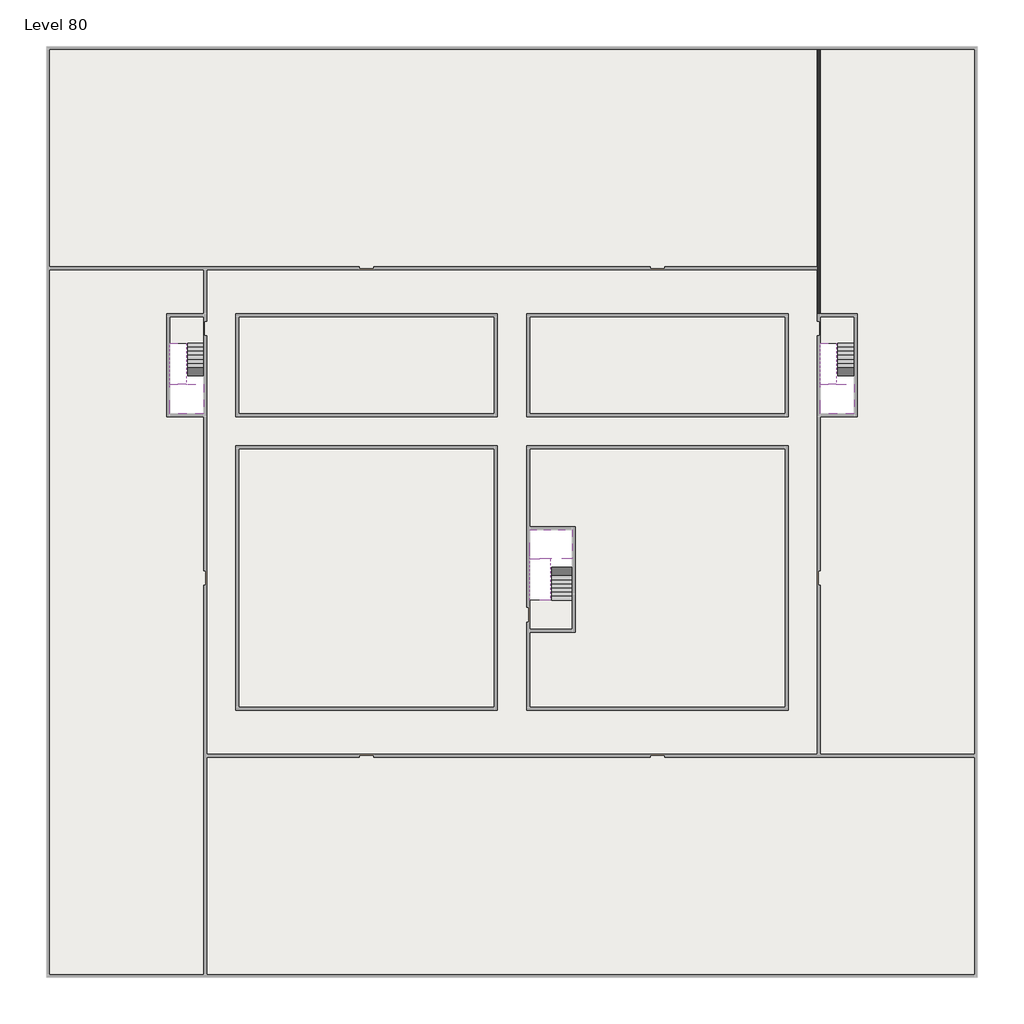
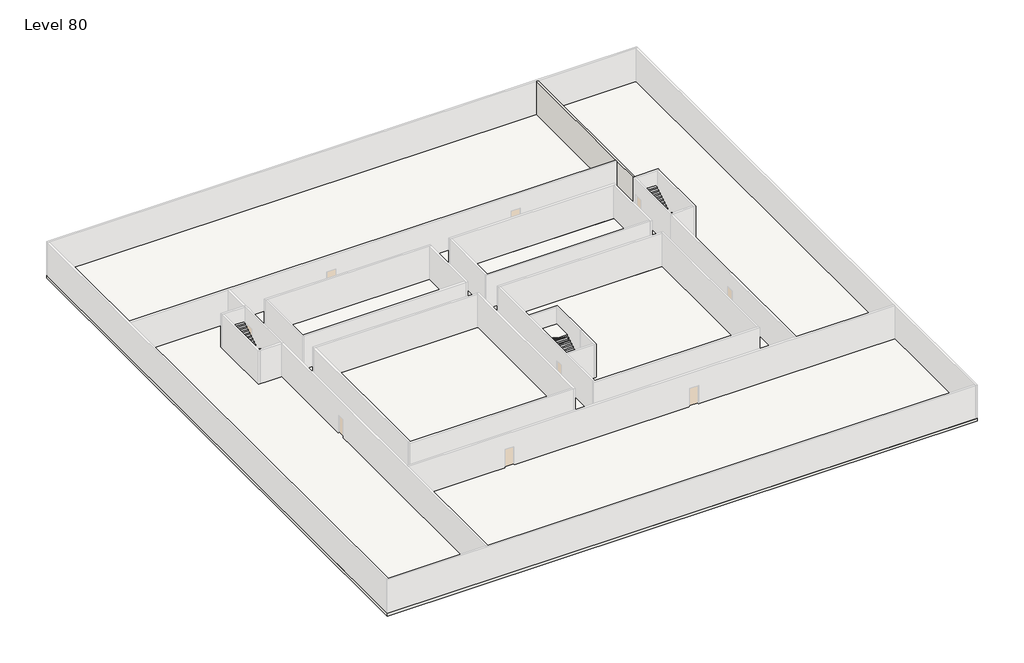
# One storey, part 2 of 2: 6 slabs, 6 stair flights, 1 wall.
"""IFC4 building model written with IfcOpenShell, lengths in millimetres."""

from ifc_helpers import new_model, si_unit, frame, origin, place, context, project, spatial, polyline, outline, extrude, faceted_brep, element, save

model = new_model("IFC4")

# Units and contexts
model_context = context("Model", 3, world=origin())
ifc_project = project(units=[si_unit("LENGTHUNIT", "METRE", prefix="MILLI")], contexts=[model_context])

# Site, building, storey
site = spatial("IfcSite", under=ifc_project)
building = spatial("IfcBuilding", under=site)
storey = spatial("IfcBuildingStorey", under=building, Name="Level 80", Elevation=300200.0)

# Slabs
placement = place(None, origin())
element("IfcSlab", 1, at=placement, inside=storey, context=model_context, shape_type="SweptSolid", body=[
    extrude(outline(polyline([(55890.1058784, -5518.09644), (55890.1058784, -68918.09644), (-7509.8941216, -68918.09644), (-7509.8941216, -5518.09644), (55890.1058784, -5518.09644)]), holes=[polyline([(22990.1058784, -23918.09644), (5590.1058784, -23918.09644), (5590.1058784, -30518.09644), (22990.1058784, -30518.09644), (22990.1058784, -23918.09644)]), polyline([(42990.1058784, -23918.09644), (25390.1058784, -23918.09644), (25390.1058784, -30518.09644), (42990.1058784, -30518.09644), (42990.1058784, -23918.09644)]), polyline([(25390.1058784, -50518.09644), (42790.1058784, -50518.09644), (42790.1058784, -32918.09644), (25390.1058784, -32918.09644), (25390.1058784, -50518.09644)]), polyline([(22990.1058784, -32918.09644), (5590.1058784, -32918.09644), (5590.1058784, -50518.09644), (22990.1058784, -50518.09644), (22990.1058784, -32918.09644)]), polyline([(3190.1058784, -23918.09644), (890.1058784, -23918.09644), (890.1058784, -30518.09644), (3190.1058784, -30518.09644), (3190.1058784, -23918.09644)]), polyline([(47490.1058784, -23918.09644), (45190.1058784, -23918.09644), (45190.1058784, -30518.09644), (47490.1058784, -30518.09644), (47490.1058784, -23918.09644)])]), frame((0.0, 0.0, 299900.0), z_axis=(0.0, 0.0, 1.0), x_axis=(1.0, 0.0, 0.0)), (0.0, 0.0, 1.0), 300.0),
])
element("IfcSlab", 2, at=placement, inside=storey, context=model_context, shape_type="SweptSolid", body=[
    extrude(outline(polyline([(22990.1058784, -23918.09644), (22990.1058784, -30518.09644), (5590.1058784, -30518.09644), (5590.1058784, -23918.09644), (22990.1058784, -23918.09644)])), frame((0.0, 0.0, 299900.0), z_axis=(0.0, 0.0, 1.0), x_axis=(1.0, 0.0, 0.0)), (0.0, 0.0, 1.0), 300.0),
    extrude(outline(polyline([(42990.1058784, -23918.09644), (42990.1058784, -30518.09644), (25390.1058784, -30518.09644), (25390.1058784, -23918.09644), (42990.1058784, -23918.09644)])), frame((0.0, 0.0, 299900.0), z_axis=(0.0, 0.0, 1.0), x_axis=(1.0, 0.0, 0.0)), (0.0, 0.0, 1.0), 300.0),
    extrude(outline(polyline([(22990.1058784, -32918.09644), (22990.1058784, -50518.09644), (5590.1058784, -50518.09644), (5590.1058784, -32918.09644), (22990.1058784, -32918.09644)])), frame((0.0, 0.0, 299900.0), z_axis=(0.0, 0.0, 1.0), x_axis=(1.0, 0.0, 0.0)), (0.0, 0.0, 1.0), 300.0),
    extrude(outline(polyline([(25390.1058784, -38218.09644), (25390.1058784, -32918.09644), (42790.1058784, -32918.09644), (42790.1058784, -50518.09644), (25390.1058784, -50518.09644), (25390.1058784, -45418.09644), (28490.1058784, -45418.09644), (28490.1058784, -38218.09644), (25390.1058784, -38218.09644)])), frame((0.0, 0.0, 299900.0), z_axis=(0.0, 0.0, 1.0), x_axis=(1.0, 0.0, 0.0)), (0.0, 0.0, 1.0), 300.0),
])
element("IfcSlab", 3, at=placement, inside=storey, context=model_context, shape_type="Brep", body=[
    faceted_brep([(3190.1058784, -28518.09644, 302100.0), (2090.1058784, -28518.09644, 302100.0), (1990.1058784, -28518.09644, 302100.0), (890.1058784, -28518.09644, 302100.0), (890.1058784, -28718.7100038, 302100.0), (890.1058784, -30518.09644, 302100.0), (3190.1058784, -30518.09644, 302100.0), (3190.1058784, -28597.4828763, 302100.0), (3190.1058784, -28518.09644, 301927.2727273), (3190.1058784, -28518.09644, 301751.0278478), (2090.1058784, -28518.09644, 301751.0278478), (2090.1058784, -28518.09644, 301800.0), (1990.1058784, -28518.09644, 301800.0), (1990.1058784, -28518.09644, 301923.7551205), (890.1058784, -28518.09644, 301923.7551205), (890.1058784, -28718.7100038, 301800.0), (890.1058784, -30518.09644, 301800.0), (3190.1058784, -30518.09644, 301800.0), (3190.1058784, -28597.4828763, 301800.0), (1990.1058784, -28718.7100038, 301800.0), (2090.1058784, -28597.4828763, 301800.0)], [[[0, 1, 2, 3, 4, 5, 6, 7]], [[1, 0, 8, 9, 10, 11]], [[2, 1, 11, 12, 13]], [[3, 2, 13, 14]], [[3, 14, 15, 16, 5, 4]], [[6, 5, 16, 17]], [[9, 8, 0, 7, 6, 17, 18]], [[19, 12, 11, 20, 18, 17, 16, 15]], [[12, 19, 13]], [[18, 20, 10, 9]], [[20, 11, 10]], [[19, 15, 14, 13]]]),
])
element("IfcSlab", 4, at=placement, inside=storey, context=model_context, shape_type="Brep", body=[
    faceted_brep([(47490.1058784, -28518.09644, 302100.0), (46390.1058784, -28518.09644, 302100.0), (46290.1058784, -28518.09644, 302100.0), (45190.1058784, -28518.09644, 302100.0), (45190.1058784, -28718.7100038, 302100.0), (45190.1058784, -30518.09644, 302100.0), (47490.1058784, -30518.09644, 302100.0), (47490.1058784, -28597.4828763, 302100.0), (47490.1058784, -28518.09644, 301927.2727273), (47490.1058784, -28518.09644, 301751.0278478), (46390.1058784, -28518.09644, 301751.0278478), (46390.1058784, -28518.09644, 301800.0), (46290.1058784, -28518.09644, 301800.0), (46290.1058784, -28518.09644, 301923.7551205), (45190.1058784, -28518.09644, 301923.7551205), (45190.1058784, -28718.7100038, 301800.0), (45190.1058784, -30518.09644, 301800.0), (47490.1058784, -30518.09644, 301800.0), (47490.1058784, -28597.4828763, 301800.0), (46290.1058784, -28718.7100038, 301800.0), (46390.1058784, -28597.4828763, 301800.0)], [[[0, 1, 2, 3, 4, 5, 6, 7]], [[1, 0, 8, 9, 10, 11]], [[2, 1, 11, 12, 13]], [[3, 2, 13, 14]], [[3, 14, 15, 16, 5, 4]], [[6, 5, 16, 17]], [[9, 8, 0, 7, 6, 17, 18]], [[19, 12, 11, 20, 18, 17, 16, 15]], [[12, 19, 13]], [[18, 20, 10, 9]], [[20, 11, 10]], [[19, 15, 14, 13]]]),
])
element("IfcSlab", 5, at=placement, inside=storey, context=model_context, shape_type="Brep", body=[
    faceted_brep([(26890.1058784, -40418.09644, 302100.0), (28290.1058784, -40418.09644, 302100.0), (28290.1058784, -40338.7100038, 302100.0), (28290.1058784, -38418.09644, 302100.0), (25390.1058784, -38418.09644, 302100.0), (25390.1058784, -40217.4828763, 302100.0), (25390.1058784, -40418.09644, 302100.0), (26790.1058784, -40418.09644, 302100.0), (26890.1058784, -40418.09644, 301800.0), (26890.1058784, -40418.09644, 301751.0278478), (28290.1058784, -40418.09644, 301751.0278478), (28290.1058784, -40418.09644, 301927.2727273), (28290.1058784, -40338.7100038, 301800.0), (28290.1058784, -38418.09644, 301800.0), (25390.1058784, -38418.09644, 301800.0), (25390.1058784, -40217.4828763, 301800.0), (25390.1058784, -40418.09644, 301923.7551205), (26790.1058784, -40418.09644, 301923.7551205), (26790.1058784, -40418.09644, 301800.0), (26790.1058784, -40217.4828763, 301800.0), (26890.1058784, -40338.7100038, 301800.0)], [[[0, 1, 2, 3, 4, 5, 6, 7]], [[1, 0, 8, 9, 10, 11]], [[1, 11, 10, 12, 13, 3, 2]], [[4, 3, 13, 14]], [[4, 14, 15, 16, 6, 5]], [[7, 6, 16, 17]], [[0, 7, 17, 18, 8]], [[18, 19, 15, 14, 13, 12, 20, 8]], [[19, 18, 17]], [[20, 12, 10, 9]], [[8, 20, 9]], [[15, 19, 17, 16]]]),
])
element("IfcSlab", 6, at=placement, inside=storey, context=model_context, shape_type="SweptSolid", body=[
    extrude(outline(polyline([(3190.1058784, -23918.09644), (3190.1058784, -25718.09644), (890.1058784, -25718.09644), (890.1058784, -23918.09644), (3190.1058784, -23918.09644)])), frame((0.0, 0.0, 299900.0), z_axis=(0.0, 0.0, 1.0), x_axis=(1.0, 0.0, 0.0)), (0.0, 0.0, 1.0), 300.0),
    extrude(outline(polyline([(47490.1058784, -23918.09644), (47490.1058784, -25718.09644), (45190.1058784, -25718.09644), (45190.1058784, -23918.09644), (47490.1058784, -23918.09644)])), frame((0.0, 0.0, 299900.0), z_axis=(0.0, 0.0, 1.0), x_axis=(1.0, 0.0, 0.0)), (0.0, 0.0, 1.0), 300.0),
    extrude(outline(polyline([(28290.1058784, -43218.09644), (28290.1058784, -45218.09644), (25390.1058784, -45218.09644), (25390.1058784, -43218.09644), (28290.1058784, -43218.09644)])), frame((0.0, 0.0, 299900.0), z_axis=(0.0, 0.0, 1.0), x_axis=(1.0, 0.0, 0.0)), (0.0, 0.0, 1.0), 300.0),
])

# Stair flights
element("IfcStairFlight", 7, at=placement, inside=storey, context=model_context, shape_type="Brep", body=[
    faceted_brep([(3190.1058784, -25998.09644, 300372.7272727), (3190.1058784, -25718.09644, 300372.7272727), (2090.1058784, -25718.09644, 300372.7272727), (2090.1058784, -25998.09644, 300372.7272727), (3190.1058784, -25998.09644, 300200.0), (3190.1058784, -25718.09644, 300200.0), (2090.1058784, -25718.09644, 300200.0), (2090.1058784, -25998.09644, 300200.0), (3190.1058784, -26278.09644, 300545.4545455), (3190.1058784, -25998.09644, 300545.4545455), (2090.1058784, -25998.09644, 300545.4545455), (2090.1058784, -26278.09644, 300545.4545455), (3190.1058784, -26278.09644, 300369.209666), (3190.1058784, -26003.7986657, 300200.0), (2090.1058784, -26003.7986657, 300200.0), (2090.1058784, -26278.09644, 300369.209666), (3190.1058784, -26558.09644, 300718.1818182), (3190.1058784, -26278.09644, 300718.1818182), (2090.1058784, -26278.09644, 300718.1818182), (2090.1058784, -26558.09644, 300718.1818182), (3190.1058784, -26558.09644, 300541.9369387), (2090.1058784, -26558.09644, 300541.9369387), (3190.1058784, -26838.09644, 300890.9090909), (3190.1058784, -26558.09644, 300890.9090909), (2090.1058784, -26558.09644, 300890.9090909), (2090.1058784, -26838.09644, 300890.9090909), (3190.1058784, -26838.09644, 300714.6642114), (2090.1058784, -26838.09644, 300714.6642114), (3190.1058784, -27118.09644, 301063.6363636), (3190.1058784, -26838.09644, 301063.6363636), (2090.1058784, -26838.09644, 301063.6363636), (2090.1058784, -27118.09644, 301063.6363636), (3190.1058784, -27118.09644, 300887.3914841), (2090.1058784, -27118.09644, 300887.3914841), (3190.1058784, -27398.09644, 301236.3636364), (3190.1058784, -27118.09644, 301236.3636364), (2090.1058784, -27118.09644, 301236.3636364), (2090.1058784, -27398.09644, 301236.3636364), (3190.1058784, -27398.09644, 301060.1187569), (2090.1058784, -27398.09644, 301060.1187569), (3190.1058784, -27678.09644, 301409.0909091), (3190.1058784, -27398.09644, 301409.0909091), (2090.1058784, -27398.09644, 301409.0909091), (2090.1058784, -27678.09644, 301409.0909091), (3190.1058784, -27678.09644, 301232.8460296), (2090.1058784, -27678.09644, 301232.8460296), (3190.1058784, -27958.09644, 301581.8181818), (3190.1058784, -27678.09644, 301581.8181818), (2090.1058784, -27678.09644, 301581.8181818), (2090.1058784, -27958.09644, 301581.8181818), (3190.1058784, -27958.09644, 301405.5733023), (2090.1058784, -27958.09644, 301405.5733023), (3190.1058784, -28238.09644, 301754.5454545), (3190.1058784, -27958.09644, 301754.5454545), (2090.1058784, -27958.09644, 301754.5454545), (2090.1058784, -28238.09644, 301754.5454545), (3190.1058784, -28238.09644, 301578.3005751), (2090.1058784, -28238.09644, 301578.3005751), (3190.1058784, -28518.09644, 301927.2727273), (3190.1058784, -28238.09644, 301927.2727273), (2090.1058784, -28238.09644, 301927.2727273), (2090.1058784, -28518.09644, 301927.2727273), (3190.1058784, -28518.09644, 301751.0278478), (2090.1058784, -28518.09644, 301751.0278478), (2090.1058784, -28518.09644, 301800.0)], [[[0, 1, 2, 3]], [[1, 0, 4, 5]], [[2, 1, 5, 6]], [[3, 2, 6, 7]], [[8, 9, 10, 11]], [[4, 0, 9, 8, 12, 13]], [[0, 3, 10, 9]], [[3, 7, 14, 15, 11, 10]], [[16, 17, 18, 19]], [[17, 16, 20, 12, 8]], [[8, 11, 18, 17]], [[19, 18, 11, 15, 21]], [[22, 23, 24, 25]], [[23, 22, 26, 20, 16]], [[16, 19, 24, 23]], [[25, 24, 19, 21, 27]], [[28, 29, 30, 31]], [[29, 28, 32, 26, 22]], [[22, 25, 30, 29]], [[31, 30, 25, 27, 33]], [[34, 35, 36, 37]], [[35, 34, 38, 32, 28]], [[28, 31, 36, 35]], [[37, 36, 31, 33, 39]], [[40, 41, 42, 43]], [[41, 40, 44, 38, 34]], [[34, 37, 42, 41]], [[43, 42, 37, 39, 45]], [[46, 47, 48, 49]], [[47, 46, 50, 44, 40]], [[40, 43, 48, 47]], [[49, 48, 43, 45, 51]], [[52, 53, 54, 55]], [[53, 52, 56, 50, 46]], [[46, 49, 54, 53]], [[55, 54, 49, 51, 57]], [[58, 59, 60, 61]], [[59, 58, 62, 56, 52]], [[52, 55, 60, 59]], [[61, 60, 55, 57, 63, 64]], [[58, 61, 64, 63, 62]], [[5, 4, 13, 14, 7, 6]], [[14, 13, 12, 20, 26, 32, 38, 44, 50, 56, 62, 63, 57, 51, 45, 39, 33, 27, 21, 15]]]),
])
element("IfcStairFlight", 8, at=placement, inside=storey, context=model_context, shape_type="Brep", body=[
    faceted_brep([(890.1058784, -28238.09644, 302272.7272727), (890.1058784, -28518.09644, 302272.7272727), (1990.1058784, -28518.09644, 302272.7272727), (1990.1058784, -28238.09644, 302272.7272727), (890.1058784, -28238.09644, 302096.4823932), (890.1058784, -28518.09644, 301923.7551205), (890.1058784, -28518.09644, 302100.0), (1990.1058784, -28518.09644, 301923.7551205), (1990.1058784, -28238.09644, 302096.4823932), (890.1058784, -27958.09644, 302445.4545455), (890.1058784, -28238.09644, 302445.4545455), (1990.1058784, -28238.09644, 302445.4545455), (1990.1058784, -27958.09644, 302445.4545455), (890.1058784, -27958.09644, 302269.209666), (1990.1058784, -27958.09644, 302269.209666), (890.1058784, -27678.09644, 302618.1818182), (890.1058784, -27958.09644, 302618.1818182), (1990.1058784, -27958.09644, 302618.1818182), (1990.1058784, -27678.09644, 302618.1818182), (890.1058784, -27678.09644, 302441.9369387), (1990.1058784, -27678.09644, 302441.9369387), (890.1058784, -27398.09644, 302790.9090909), (890.1058784, -27678.09644, 302790.9090909), (1990.1058784, -27678.09644, 302790.9090909), (1990.1058784, -27398.09644, 302790.9090909), (890.1058784, -27398.09644, 302614.6642114), (1990.1058784, -27398.09644, 302614.6642114), (890.1058784, -27118.09644, 302963.6363636), (890.1058784, -27398.09644, 302963.6363636), (1990.1058784, -27398.09644, 302963.6363636), (1990.1058784, -27118.09644, 302963.6363636), (890.1058784, -27118.09644, 302787.3914841), (1990.1058784, -27118.09644, 302787.3914841), (890.1058784, -26838.09644, 303136.3636364), (890.1058784, -27118.09644, 303136.3636364), (1990.1058784, -27118.09644, 303136.3636364), (1990.1058784, -26838.09644, 303136.3636364), (890.1058784, -26838.09644, 302960.1187569), (1990.1058784, -26838.09644, 302960.1187569), (890.1058784, -26558.09644, 303309.0909091), (890.1058784, -26838.09644, 303309.0909091), (1990.1058784, -26838.09644, 303309.0909091), (1990.1058784, -26558.09644, 303309.0909091), (890.1058784, -26558.09644, 303132.8460296), (1990.1058784, -26558.09644, 303132.8460296), (890.1058784, -26278.09644, 303481.8181818), (890.1058784, -26558.09644, 303481.8181818), (1990.1058784, -26558.09644, 303481.8181818), (1990.1058784, -26278.09644, 303481.8181818), (890.1058784, -26278.09644, 303305.5733023), (1990.1058784, -26278.09644, 303305.5733023), (890.1058784, -25998.09644, 303654.5454545), (890.1058784, -26278.09644, 303654.5454545), (1990.1058784, -26278.09644, 303654.5454545), (1990.1058784, -25998.09644, 303654.5454545), (890.1058784, -25998.09644, 303478.3005751), (1990.1058784, -25998.09644, 303478.3005751), (890.1058784, -25718.09644, 303827.2727273), (890.1058784, -25998.09644, 303827.2727273), (1990.1058784, -25998.09644, 303827.2727273), (1990.1058784, -25718.09644, 303827.2727273), (890.1058784, -25718.09644, 303651.0278478), (1990.1058784, -25718.09644, 303651.0278478)], [[[0, 1, 2, 3]], [[1, 0, 4, 5, 6]], [[2, 1, 6, 5, 7]], [[3, 2, 7, 8]], [[9, 10, 11, 12]], [[10, 9, 13, 4, 0]], [[11, 10, 0, 3]], [[12, 11, 3, 8, 14]], [[15, 16, 17, 18]], [[16, 15, 19, 13, 9]], [[17, 16, 9, 12]], [[18, 17, 12, 14, 20]], [[21, 22, 23, 24]], [[22, 21, 25, 19, 15]], [[23, 22, 15, 18]], [[24, 23, 18, 20, 26]], [[27, 28, 29, 30]], [[28, 27, 31, 25, 21]], [[29, 28, 21, 24]], [[30, 29, 24, 26, 32]], [[33, 34, 35, 36]], [[34, 33, 37, 31, 27]], [[35, 34, 27, 30]], [[36, 35, 30, 32, 38]], [[39, 40, 41, 42]], [[40, 39, 43, 37, 33]], [[41, 40, 33, 36]], [[42, 41, 36, 38, 44]], [[45, 46, 47, 48]], [[46, 45, 49, 43, 39]], [[47, 46, 39, 42]], [[48, 47, 42, 44, 50]], [[51, 52, 53, 54]], [[52, 51, 55, 49, 45]], [[53, 52, 45, 48]], [[54, 53, 48, 50, 56]], [[57, 58, 59, 60]], [[58, 57, 61, 55, 51]], [[59, 58, 51, 54]], [[60, 59, 54, 56, 62]], [[57, 60, 62, 61]], [[5, 4, 13, 19, 25, 31, 37, 43, 49, 55, 61, 62, 56, 50, 44, 38, 32, 26, 20, 14, 8, 7]]]),
])
element("IfcStairFlight", 9, at=placement, inside=storey, context=model_context, shape_type="Brep", body=[
    faceted_brep([(47490.1058784, -25998.09644, 300372.7272727), (47490.1058784, -25718.09644, 300372.7272727), (46390.1058784, -25718.09644, 300372.7272727), (46390.1058784, -25998.09644, 300372.7272727), (47490.1058784, -25998.09644, 300200.0), (47490.1058784, -25718.09644, 300200.0), (46390.1058784, -25718.09644, 300200.0), (46390.1058784, -25998.09644, 300200.0), (47490.1058784, -26278.09644, 300545.4545455), (47490.1058784, -25998.09644, 300545.4545455), (46390.1058784, -25998.09644, 300545.4545455), (46390.1058784, -26278.09644, 300545.4545455), (47490.1058784, -26278.09644, 300369.209666), (47490.1058784, -26003.7986657, 300200.0), (46390.1058784, -26003.7986657, 300200.0), (46390.1058784, -26278.09644, 300369.209666), (47490.1058784, -26558.09644, 300718.1818182), (47490.1058784, -26278.09644, 300718.1818182), (46390.1058784, -26278.09644, 300718.1818182), (46390.1058784, -26558.09644, 300718.1818182), (47490.1058784, -26558.09644, 300541.9369387), (46390.1058784, -26558.09644, 300541.9369387), (47490.1058784, -26838.09644, 300890.9090909), (47490.1058784, -26558.09644, 300890.9090909), (46390.1058784, -26558.09644, 300890.9090909), (46390.1058784, -26838.09644, 300890.9090909), (47490.1058784, -26838.09644, 300714.6642114), (46390.1058784, -26838.09644, 300714.6642114), (47490.1058784, -27118.09644, 301063.6363636), (47490.1058784, -26838.09644, 301063.6363636), (46390.1058784, -26838.09644, 301063.6363636), (46390.1058784, -27118.09644, 301063.6363636), (47490.1058784, -27118.09644, 300887.3914841), (46390.1058784, -27118.09644, 300887.3914841), (47490.1058784, -27398.09644, 301236.3636364), (47490.1058784, -27118.09644, 301236.3636364), (46390.1058784, -27118.09644, 301236.3636364), (46390.1058784, -27398.09644, 301236.3636364), (47490.1058784, -27398.09644, 301060.1187569), (46390.1058784, -27398.09644, 301060.1187569), (47490.1058784, -27678.09644, 301409.0909091), (47490.1058784, -27398.09644, 301409.0909091), (46390.1058784, -27398.09644, 301409.0909091), (46390.1058784, -27678.09644, 301409.0909091), (47490.1058784, -27678.09644, 301232.8460296), (46390.1058784, -27678.09644, 301232.8460296), (47490.1058784, -27958.09644, 301581.8181818), (47490.1058784, -27678.09644, 301581.8181818), (46390.1058784, -27678.09644, 301581.8181818), (46390.1058784, -27958.09644, 301581.8181818), (47490.1058784, -27958.09644, 301405.5733023), (46390.1058784, -27958.09644, 301405.5733023), (47490.1058784, -28238.09644, 301754.5454545), (47490.1058784, -27958.09644, 301754.5454545), (46390.1058784, -27958.09644, 301754.5454545), (46390.1058784, -28238.09644, 301754.5454545), (47490.1058784, -28238.09644, 301578.3005751), (46390.1058784, -28238.09644, 301578.3005751), (47490.1058784, -28518.09644, 301927.2727273), (47490.1058784, -28238.09644, 301927.2727273), (46390.1058784, -28238.09644, 301927.2727273), (46390.1058784, -28518.09644, 301927.2727273), (47490.1058784, -28518.09644, 301751.0278478), (46390.1058784, -28518.09644, 301751.0278478), (46390.1058784, -28518.09644, 301800.0)], [[[0, 1, 2, 3]], [[1, 0, 4, 5]], [[2, 1, 5, 6]], [[3, 2, 6, 7]], [[8, 9, 10, 11]], [[4, 0, 9, 8, 12, 13]], [[0, 3, 10, 9]], [[3, 7, 14, 15, 11, 10]], [[16, 17, 18, 19]], [[17, 16, 20, 12, 8]], [[8, 11, 18, 17]], [[19, 18, 11, 15, 21]], [[22, 23, 24, 25]], [[23, 22, 26, 20, 16]], [[16, 19, 24, 23]], [[25, 24, 19, 21, 27]], [[28, 29, 30, 31]], [[29, 28, 32, 26, 22]], [[22, 25, 30, 29]], [[31, 30, 25, 27, 33]], [[34, 35, 36, 37]], [[35, 34, 38, 32, 28]], [[28, 31, 36, 35]], [[37, 36, 31, 33, 39]], [[40, 41, 42, 43]], [[41, 40, 44, 38, 34]], [[34, 37, 42, 41]], [[43, 42, 37, 39, 45]], [[46, 47, 48, 49]], [[47, 46, 50, 44, 40]], [[40, 43, 48, 47]], [[49, 48, 43, 45, 51]], [[52, 53, 54, 55]], [[53, 52, 56, 50, 46]], [[46, 49, 54, 53]], [[55, 54, 49, 51, 57]], [[58, 59, 60, 61]], [[59, 58, 62, 56, 52]], [[52, 55, 60, 59]], [[61, 60, 55, 57, 63, 64]], [[58, 61, 64, 63, 62]], [[5, 4, 13, 14, 7, 6]], [[14, 13, 12, 20, 26, 32, 38, 44, 50, 56, 62, 63, 57, 51, 45, 39, 33, 27, 21, 15]]]),
])
element("IfcStairFlight", 10, at=placement, inside=storey, context=model_context, shape_type="Brep", body=[
    faceted_brep([(45190.1058784, -28238.09644, 302272.7272727), (45190.1058784, -28518.09644, 302272.7272727), (46290.1058784, -28518.09644, 302272.7272727), (46290.1058784, -28238.09644, 302272.7272727), (45190.1058784, -28238.09644, 302096.4823932), (45190.1058784, -28518.09644, 301923.7551205), (45190.1058784, -28518.09644, 302100.0), (46290.1058784, -28518.09644, 301923.7551205), (46290.1058784, -28238.09644, 302096.4823932), (45190.1058784, -27958.09644, 302445.4545455), (45190.1058784, -28238.09644, 302445.4545455), (46290.1058784, -28238.09644, 302445.4545455), (46290.1058784, -27958.09644, 302445.4545455), (45190.1058784, -27958.09644, 302269.209666), (46290.1058784, -27958.09644, 302269.209666), (45190.1058784, -27678.09644, 302618.1818182), (45190.1058784, -27958.09644, 302618.1818182), (46290.1058784, -27958.09644, 302618.1818182), (46290.1058784, -27678.09644, 302618.1818182), (45190.1058784, -27678.09644, 302441.9369387), (46290.1058784, -27678.09644, 302441.9369387), (45190.1058784, -27398.09644, 302790.9090909), (45190.1058784, -27678.09644, 302790.9090909), (46290.1058784, -27678.09644, 302790.9090909), (46290.1058784, -27398.09644, 302790.9090909), (45190.1058784, -27398.09644, 302614.6642114), (46290.1058784, -27398.09644, 302614.6642114), (45190.1058784, -27118.09644, 302963.6363636), (45190.1058784, -27398.09644, 302963.6363636), (46290.1058784, -27398.09644, 302963.6363636), (46290.1058784, -27118.09644, 302963.6363636), (45190.1058784, -27118.09644, 302787.3914841), (46290.1058784, -27118.09644, 302787.3914841), (45190.1058784, -26838.09644, 303136.3636364), (45190.1058784, -27118.09644, 303136.3636364), (46290.1058784, -27118.09644, 303136.3636364), (46290.1058784, -26838.09644, 303136.3636364), (45190.1058784, -26838.09644, 302960.1187569), (46290.1058784, -26838.09644, 302960.1187569), (45190.1058784, -26558.09644, 303309.0909091), (45190.1058784, -26838.09644, 303309.0909091), (46290.1058784, -26838.09644, 303309.0909091), (46290.1058784, -26558.09644, 303309.0909091), (45190.1058784, -26558.09644, 303132.8460296), (46290.1058784, -26558.09644, 303132.8460296), (45190.1058784, -26278.09644, 303481.8181818), (45190.1058784, -26558.09644, 303481.8181818), (46290.1058784, -26558.09644, 303481.8181818), (46290.1058784, -26278.09644, 303481.8181818), (45190.1058784, -26278.09644, 303305.5733023), (46290.1058784, -26278.09644, 303305.5733023), (45190.1058784, -25998.09644, 303654.5454545), (45190.1058784, -26278.09644, 303654.5454545), (46290.1058784, -26278.09644, 303654.5454545), (46290.1058784, -25998.09644, 303654.5454545), (45190.1058784, -25998.09644, 303478.3005751), (46290.1058784, -25998.09644, 303478.3005751), (45190.1058784, -25718.09644, 303827.2727273), (45190.1058784, -25998.09644, 303827.2727273), (46290.1058784, -25998.09644, 303827.2727273), (46290.1058784, -25718.09644, 303827.2727273), (45190.1058784, -25718.09644, 303651.0278478), (46290.1058784, -25718.09644, 303651.0278478)], [[[0, 1, 2, 3]], [[1, 0, 4, 5, 6]], [[2, 1, 6, 5, 7]], [[3, 2, 7, 8]], [[9, 10, 11, 12]], [[10, 9, 13, 4, 0]], [[11, 10, 0, 3]], [[12, 11, 3, 8, 14]], [[15, 16, 17, 18]], [[16, 15, 19, 13, 9]], [[17, 16, 9, 12]], [[18, 17, 12, 14, 20]], [[21, 22, 23, 24]], [[22, 21, 25, 19, 15]], [[23, 22, 15, 18]], [[24, 23, 18, 20, 26]], [[27, 28, 29, 30]], [[28, 27, 31, 25, 21]], [[29, 28, 21, 24]], [[30, 29, 24, 26, 32]], [[33, 34, 35, 36]], [[34, 33, 37, 31, 27]], [[35, 34, 27, 30]], [[36, 35, 30, 32, 38]], [[39, 40, 41, 42]], [[40, 39, 43, 37, 33]], [[41, 40, 33, 36]], [[42, 41, 36, 38, 44]], [[45, 46, 47, 48]], [[46, 45, 49, 43, 39]], [[47, 46, 39, 42]], [[48, 47, 42, 44, 50]], [[51, 52, 53, 54]], [[52, 51, 55, 49, 45]], [[53, 52, 45, 48]], [[54, 53, 48, 50, 56]], [[57, 58, 59, 60]], [[58, 57, 61, 55, 51]], [[59, 58, 51, 54]], [[60, 59, 54, 56, 62]], [[57, 60, 62, 61]], [[5, 4, 13, 19, 25, 31, 37, 43, 49, 55, 61, 62, 56, 50, 44, 38, 32, 26, 20, 14, 8, 7]]]),
])
element("IfcStairFlight", 11, at=placement, inside=storey, context=model_context, shape_type="Brep", body=[
    faceted_brep([(26890.1058784, -42938.09644, 300372.7272727), (26890.1058784, -43218.09644, 300372.7272727), (28290.1058784, -43218.09644, 300372.7272727), (28290.1058784, -42938.09644, 300372.7272727), (26890.1058784, -42938.09644, 300200.0), (26890.1058784, -43218.09644, 300200.0), (28290.1058784, -43218.09644, 300200.0), (28290.1058784, -42938.09644, 300200.0), (26890.1058784, -42658.09644, 300545.4545455), (26890.1058784, -42938.09644, 300545.4545455), (28290.1058784, -42938.09644, 300545.4545455), (28290.1058784, -42658.09644, 300545.4545455), (26890.1058784, -42658.09644, 300369.209666), (26890.1058784, -42932.3942143, 300200.0), (28290.1058784, -42932.3942143, 300200.0), (28290.1058784, -42658.09644, 300369.209666), (26890.1058784, -42378.09644, 300718.1818182), (26890.1058784, -42658.09644, 300718.1818182), (28290.1058784, -42658.09644, 300718.1818182), (28290.1058784, -42378.09644, 300718.1818182), (26890.1058784, -42378.09644, 300541.9369387), (28290.1058784, -42378.09644, 300541.9369387), (26890.1058784, -42098.09644, 300890.9090909), (26890.1058784, -42378.09644, 300890.9090909), (28290.1058784, -42378.09644, 300890.9090909), (28290.1058784, -42098.09644, 300890.9090909), (26890.1058784, -42098.09644, 300714.6642114), (28290.1058784, -42098.09644, 300714.6642114), (26890.1058784, -41818.09644, 301063.6363636), (26890.1058784, -42098.09644, 301063.6363636), (28290.1058784, -42098.09644, 301063.6363636), (28290.1058784, -41818.09644, 301063.6363636), (26890.1058784, -41818.09644, 300887.3914841), (28290.1058784, -41818.09644, 300887.3914841), (26890.1058784, -41538.09644, 301236.3636364), (26890.1058784, -41818.09644, 301236.3636364), (28290.1058784, -41818.09644, 301236.3636364), (28290.1058784, -41538.09644, 301236.3636364), (26890.1058784, -41538.09644, 301060.1187569), (28290.1058784, -41538.09644, 301060.1187569), (26890.1058784, -41258.09644, 301409.0909091), (26890.1058784, -41538.09644, 301409.0909091), (28290.1058784, -41538.09644, 301409.0909091), (28290.1058784, -41258.09644, 301409.0909091), (26890.1058784, -41258.09644, 301232.8460296), (28290.1058784, -41258.09644, 301232.8460296), (26890.1058784, -40978.09644, 301581.8181818), (26890.1058784, -41258.09644, 301581.8181818), (28290.1058784, -41258.09644, 301581.8181818), (28290.1058784, -40978.09644, 301581.8181818), (26890.1058784, -40978.09644, 301405.5733023), (28290.1058784, -40978.09644, 301405.5733023), (26890.1058784, -40698.09644, 301754.5454545), (26890.1058784, -40978.09644, 301754.5454545), (28290.1058784, -40978.09644, 301754.5454545), (28290.1058784, -40698.09644, 301754.5454545), (26890.1058784, -40698.09644, 301578.3005751), (28290.1058784, -40698.09644, 301578.3005751), (26890.1058784, -40418.09644, 301927.2727273), (26890.1058784, -40698.09644, 301927.2727273), (28290.1058784, -40698.09644, 301927.2727273), (28290.1058784, -40418.09644, 301927.2727273), (26890.1058784, -40418.09644, 301800.0), (26890.1058784, -40418.09644, 301751.0278478), (28290.1058784, -40418.09644, 301751.0278478)], [[[0, 1, 2, 3]], [[1, 0, 4, 5]], [[2, 1, 5, 6]], [[3, 2, 6, 7]], [[8, 9, 10, 11]], [[4, 0, 9, 8, 12, 13]], [[0, 3, 10, 9]], [[3, 7, 14, 15, 11, 10]], [[16, 17, 18, 19]], [[17, 16, 20, 12, 8]], [[8, 11, 18, 17]], [[19, 18, 11, 15, 21]], [[22, 23, 24, 25]], [[23, 22, 26, 20, 16]], [[16, 19, 24, 23]], [[25, 24, 19, 21, 27]], [[28, 29, 30, 31]], [[29, 28, 32, 26, 22]], [[22, 25, 30, 29]], [[31, 30, 25, 27, 33]], [[34, 35, 36, 37]], [[35, 34, 38, 32, 28]], [[28, 31, 36, 35]], [[37, 36, 31, 33, 39]], [[40, 41, 42, 43]], [[41, 40, 44, 38, 34]], [[34, 37, 42, 41]], [[43, 42, 37, 39, 45]], [[46, 47, 48, 49]], [[47, 46, 50, 44, 40]], [[40, 43, 48, 47]], [[49, 48, 43, 45, 51]], [[52, 53, 54, 55]], [[53, 52, 56, 50, 46]], [[46, 49, 54, 53]], [[55, 54, 49, 51, 57]], [[58, 59, 60, 61]], [[59, 58, 62, 63, 56, 52]], [[52, 55, 60, 59]], [[61, 60, 55, 57, 64]], [[58, 61, 64, 63, 62]], [[5, 4, 13, 14, 7, 6]], [[14, 13, 12, 20, 26, 32, 38, 44, 50, 56, 63, 64, 57, 51, 45, 39, 33, 27, 21, 15]]]),
])
element("IfcStairFlight", 12, at=placement, inside=storey, context=model_context, shape_type="Brep", body=[
    faceted_brep([(26790.1058784, -40698.09644, 302272.7272727), (26790.1058784, -40418.09644, 302272.7272727), (25390.1058784, -40418.09644, 302272.7272727), (25390.1058784, -40698.09644, 302272.7272727), (26790.1058784, -40698.09644, 302096.4823932), (26790.1058784, -40418.09644, 301923.7551205), (25390.1058784, -40418.09644, 301923.7551205), (25390.1058784, -40418.09644, 302100.0), (25390.1058784, -40698.09644, 302096.4823932), (26790.1058784, -40978.09644, 302445.4545455), (26790.1058784, -40698.09644, 302445.4545455), (25390.1058784, -40698.09644, 302445.4545455), (25390.1058784, -40978.09644, 302445.4545455), (26790.1058784, -40978.09644, 302269.209666), (25390.1058784, -40978.09644, 302269.209666), (26790.1058784, -41258.09644, 302618.1818182), (26790.1058784, -40978.09644, 302618.1818182), (25390.1058784, -40978.09644, 302618.1818182), (25390.1058784, -41258.09644, 302618.1818182), (26790.1058784, -41258.09644, 302441.9369387), (25390.1058784, -41258.09644, 302441.9369387), (26790.1058784, -41538.09644, 302790.9090909), (26790.1058784, -41258.09644, 302790.9090909), (25390.1058784, -41258.09644, 302790.9090909), (25390.1058784, -41538.09644, 302790.9090909), (26790.1058784, -41538.09644, 302614.6642114), (25390.1058784, -41538.09644, 302614.6642114), (26790.1058784, -41818.09644, 302963.6363636), (26790.1058784, -41538.09644, 302963.6363636), (25390.1058784, -41538.09644, 302963.6363636), (25390.1058784, -41818.09644, 302963.6363636), (26790.1058784, -41818.09644, 302787.3914841), (25390.1058784, -41818.09644, 302787.3914841), (26790.1058784, -42098.09644, 303136.3636364), (26790.1058784, -41818.09644, 303136.3636364), (25390.1058784, -41818.09644, 303136.3636364), (25390.1058784, -42098.09644, 303136.3636364), (26790.1058784, -42098.09644, 302960.1187569), (25390.1058784, -42098.09644, 302960.1187569), (26790.1058784, -42378.09644, 303309.0909091), (26790.1058784, -42098.09644, 303309.0909091), (25390.1058784, -42098.09644, 303309.0909091), (25390.1058784, -42378.09644, 303309.0909091), (26790.1058784, -42378.09644, 303132.8460296), (25390.1058784, -42378.09644, 303132.8460296), (26790.1058784, -42658.09644, 303481.8181818), (26790.1058784, -42378.09644, 303481.8181818), (25390.1058784, -42378.09644, 303481.8181818), (25390.1058784, -42658.09644, 303481.8181818), (26790.1058784, -42658.09644, 303305.5733023), (25390.1058784, -42658.09644, 303305.5733023), (26790.1058784, -42938.09644, 303654.5454545), (26790.1058784, -42658.09644, 303654.5454545), (25390.1058784, -42658.09644, 303654.5454545), (25390.1058784, -42938.09644, 303654.5454545), (26790.1058784, -42938.09644, 303478.3005751), (25390.1058784, -42938.09644, 303478.3005751), (26790.1058784, -43218.09644, 303827.2727273), (26790.1058784, -42938.09644, 303827.2727273), (25390.1058784, -42938.09644, 303827.2727273), (25390.1058784, -43218.09644, 303827.2727273), (26790.1058784, -43218.09644, 303651.0278478), (25390.1058784, -43218.09644, 303651.0278478)], [[[0, 1, 2, 3]], [[1, 0, 4, 5]], [[2, 1, 5, 6, 7]], [[3, 2, 7, 6, 8]], [[9, 10, 11, 12]], [[10, 9, 13, 4, 0]], [[11, 10, 0, 3]], [[12, 11, 3, 8, 14]], [[15, 16, 17, 18]], [[16, 15, 19, 13, 9]], [[17, 16, 9, 12]], [[18, 17, 12, 14, 20]], [[21, 22, 23, 24]], [[22, 21, 25, 19, 15]], [[23, 22, 15, 18]], [[24, 23, 18, 20, 26]], [[27, 28, 29, 30]], [[28, 27, 31, 25, 21]], [[29, 28, 21, 24]], [[30, 29, 24, 26, 32]], [[33, 34, 35, 36]], [[34, 33, 37, 31, 27]], [[35, 34, 27, 30]], [[36, 35, 30, 32, 38]], [[39, 40, 41, 42]], [[40, 39, 43, 37, 33]], [[41, 40, 33, 36]], [[42, 41, 36, 38, 44]], [[45, 46, 47, 48]], [[46, 45, 49, 43, 39]], [[47, 46, 39, 42]], [[48, 47, 42, 44, 50]], [[51, 52, 53, 54]], [[52, 51, 55, 49, 45]], [[53, 52, 45, 48]], [[54, 53, 48, 50, 56]], [[57, 58, 59, 60]], [[58, 57, 61, 55, 51]], [[59, 58, 51, 54]], [[60, 59, 54, 56, 62]], [[57, 60, 62, 61]], [[5, 4, 13, 19, 25, 31, 37, 43, 49, 55, 61, 62, 56, 50, 44, 38, 32, 26, 20, 14, 8, 6]]]),
])

# Wall
element("IfcWall", 13, at=placement, inside=storey, context=model_context, shape_type="Brep", body=[
    faceted_brep([(45190.1058784, -23718.09644, 300200.0), (45190.1058784, -5718.09644, 300200.0), (45190.1058784, -5718.09644, 304000.0), (45190.1058784, -23718.09644, 304000.0), (44990.1058784, -23718.09644, 300200.0), (44990.1058784, -23718.09644, 304000.0), (44990.1058784, -20718.09644, 304000.0), (44990.1058784, -20518.09644, 304000.0), (44990.1058784, -5718.09644, 304000.0), (44990.1058784, -5718.09644, 300200.0), (44990.1058784, -20518.09644, 300200.0), (44990.1058784, -20718.09644, 300200.0)], [[[0, 1, 2, 3]], [[4, 5, 6, 7, 8, 9, 10, 11]], [[1, 0, 4, 11, 10, 9]], [[3, 2, 8, 7, 6, 5]], [[2, 1, 9, 8]], [[0, 3, 5, 4]]]),
])

save(model, "model.ifc")
